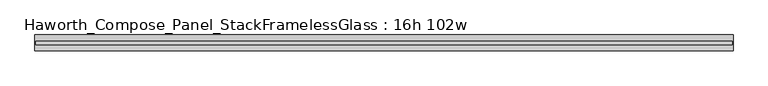
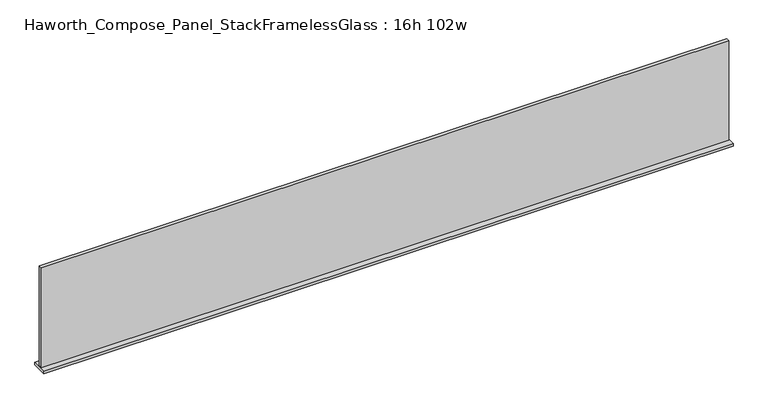
"""IFC4 building model written with IfcOpenShell, lengths in millimetres: furniture geometry, Haworth_Compose_Panel_StackFramelessGlass : 16h 102w."""

from ifc_helpers import new_model, si_unit, frame, origin, place, context, project, spatial, polyline, outline, extrude, source, transform, mapped, element, save


def haworth_compose_panel_stackframelessglass_16h_102w_f25f3f9c(model_context):
    return source(origin(), model_context, "Body", "SweptSolid", [
        extrude(outline(polyline([(1294.6652902, -27.3093594), (-1289.7847098, -27.3093594), (-1289.7847098, -14.6093594), (1294.6652902, -14.6093594), (1294.6652902, -27.3093594)])), frame((0.0, 0.0, 1279.525), z_axis=(0.0, 0.0, 1.0), x_axis=(1.0, 0.0, 0.0)), (0.0, 0.0, 1.0), 396.875),
        extrude(outline(polyline([(-1292.9597098, -50.3281094), (-1292.9597098, 8.4093906), (1297.8402902, 8.4093906), (1297.8402902, -50.3281094), (-1292.9597098, -50.3281094)])), frame((0.0, 0.0, 1270.0), z_axis=(0.0, 0.0, 1.0), x_axis=(1.0, 0.0, 0.0)), (0.0, 0.0, 1.0), 9.525),
    ])


if __name__ == "__main__":
    model = new_model("IFC4")
    model_context = context("Model", 3, world=origin())
    ifc_project = project(units=[si_unit("LENGTHUNIT", "METRE", prefix="MILLI")], contexts=[model_context])
    site = spatial("IfcSite", under=ifc_project)
    building = spatial("IfcBuilding", under=site)
    placement = place(None, origin())
    haworth_compose_panel_stackframelessglass_16h_102w_shape = haworth_compose_panel_stackframelessglass_16h_102w_f25f3f9c(model_context)
    element("IfcFurniture", 1, ObjectType="Haworth_Compose_Panel_StackFramelessGlass : 16h 102w", at=placement, inside=building, context=model_context, shape_type="MappedRepresentation", body=[
        mapped(haworth_compose_panel_stackframelessglass_16h_102w_shape, transform((0.0, 0.0, 0.0), x_axis=(1.0, 0.0, 0.0), y_axis=(0.0, 1.0, 0.0), z_axis=(0.0, 0.0, 1.0))),
    ])
    save(model, "model.ifc")
